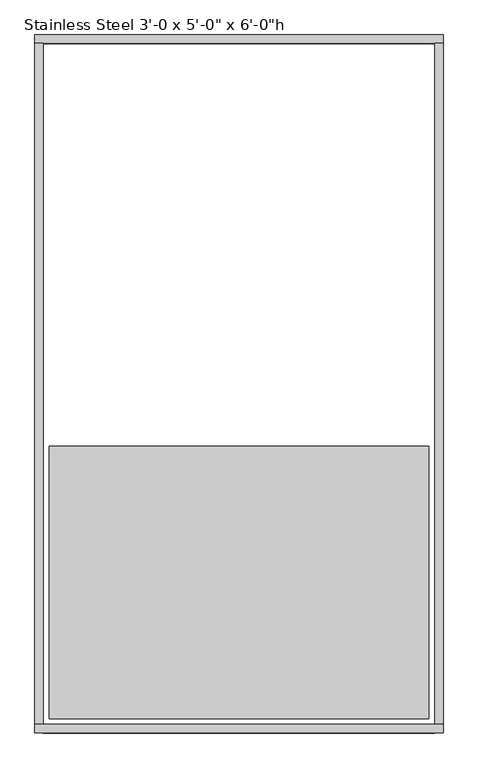
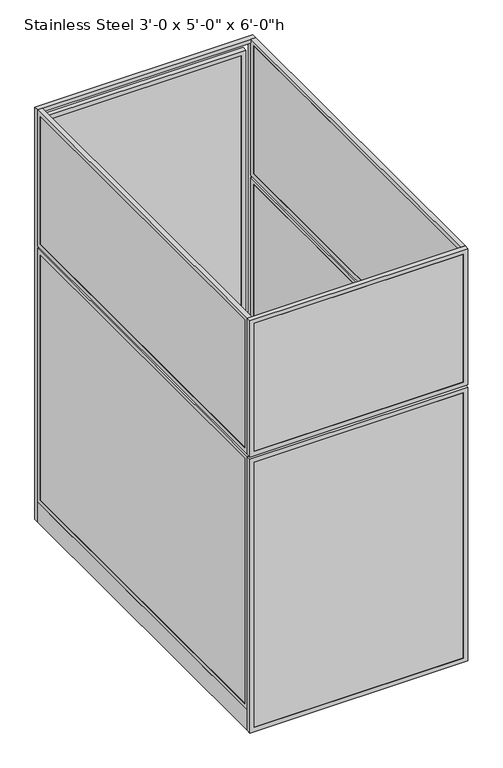
"""IFC4 building model written with IfcOpenShell, lengths in millimetres: proxy geometry."""

from ifc_helpers import new_model, si_unit, frame, origin, origin_with_axes, place, context, project, spatial, polyline, outline, extrude, source, transform, mapped, element, save


def proxy_8c73a78a(model_context):
    return source(origin(), model_context, "Body", "SweptSolid", [
        extrude(outline(polyline([(895.35, -17.4625), (19.05, -17.4625), (19.05, -1.5875), (895.35, -1.5875), (895.35, -17.4625)])), frame((0.0, 0.0, 19.05), z_axis=(0.0, 0.0, 1.0), x_axis=(1.0, 0.0, 0.0)), (0.0, 0.0, 1.0), 1176.3375),
        extrude(outline(polyline([(1214.4375, 914.4), (1214.4375, 0.0), (0.0, 0.0), (0.0, 914.4), (1214.4375, 914.4)]), holes=[polyline([(19.05, 895.35), (19.05, 19.05), (1195.3875, 19.05), (1195.3875, 895.35), (19.05, 895.35)])]), frame((0.0, -19.05, 0.0), z_axis=(0.0, 1.0, 0.0), x_axis=(0.0, 0.0, 1.0)), (0.0, 0.0, 1.0), 19.05),
        extrude(outline(polyline([(895.35, -17.4625), (19.05, -17.4625), (19.05, -1.5875), (895.35, -1.5875), (895.35, -17.4625)])), frame((0.0, 0.0, 1243.0125), z_axis=(0.0, 0.0, 1.0), x_axis=(1.0, 0.0, 0.0)), (0.0, 0.0, 1.0), 566.7375),
        extrude(outline(polyline([(1223.9625, 914.4), (1828.8, 914.4), (1828.8, 0.0), (1223.9625, 0.0), (1223.9625, 914.4)]), holes=[polyline([(1809.75, 895.35), (1243.0125, 895.35), (1243.0125, 19.05), (1809.75, 19.05), (1809.75, 895.35)])]), frame((0.0, -19.05, 0.0), z_axis=(0.0, 1.0, 0.0), x_axis=(0.0, 0.0, 1.0)), (0.0, 0.0, 1.0), 19.05),
        extrude(outline(polyline([(19.05, 0.0), (0.0, 0.0), (0.0, 1524.0), (19.05, 1524.0), (19.05, 0.0)])), origin_with_axes(), (0.0, 0.0, 1.0), 88.9),
        extrude(outline(polyline([(17.4625, 19.05), (1.5875, 19.05), (1.5875, 1504.95), (17.4625, 1504.95), (17.4625, 19.05)])), frame((0.0, 0.0, 107.95), z_axis=(0.0, 0.0, 1.0), x_axis=(1.0, 0.0, 0.0)), (0.0, 0.0, 1.0), 1087.4375),
        extrude(outline(polyline([(1524.0, 88.9), (0.0, 88.9), (0.0, 1214.4375), (1524.0, 1214.4375), (1524.0, 88.9)]), holes=[polyline([(1504.95, 1195.3875), (19.05, 1195.3875), (19.05, 107.95), (1504.95, 107.95), (1504.95, 1195.3875)])]), frame((0.0, 0.0, 0.0), z_axis=(1.0, 0.0, 0.0), x_axis=(0.0, 1.0, 0.0)), (0.0, 0.0, 1.0), 19.05),
        extrude(outline(polyline([(17.4625, 19.05), (1.5875, 19.05), (1.5875, 1504.95), (17.4625, 1504.95), (17.4625, 19.05)])), frame((0.0, 0.0, 1243.0125), z_axis=(0.0, 0.0, 1.0), x_axis=(1.0, 0.0, 0.0)), (0.0, 0.0, 1.0), 566.7375),
        extrude(outline(polyline([(0.0, 1223.9625), (0.0, 1828.8), (1524.0, 1828.8), (1524.0, 1223.9625), (0.0, 1223.9625)]), holes=[polyline([(19.05, 1809.75), (19.05, 1243.0125), (1504.95, 1243.0125), (1504.95, 1809.75), (19.05, 1809.75)])]), frame((0.0, 0.0, 0.0), z_axis=(1.0, 0.0, 0.0), x_axis=(0.0, 1.0, 0.0)), (0.0, 0.0, 1.0), 19.05),
        extrude(outline(polyline([(895.35, 0.0), (895.35, 1524.0), (914.4, 1524.0), (914.4, 0.0), (895.35, 0.0)])), origin_with_axes(), (0.0, 0.0, 1.0), 88.9),
        extrude(outline(polyline([(896.9375, 19.05), (896.9375, 1504.95), (912.8125, 1504.95), (912.8125, 19.05), (896.9375, 19.05)])), frame((0.0, 0.0, 107.95), z_axis=(0.0, 0.0, 1.0), x_axis=(1.0, 0.0, 0.0)), (0.0, 0.0, 1.0), 1087.4375),
        extrude(outline(polyline([(1524.0, 88.9), (0.0, 88.9), (0.0, 1214.4375), (1524.0, 1214.4375), (1524.0, 88.9)]), holes=[polyline([(1504.95, 1195.3875), (19.05, 1195.3875), (19.05, 107.95), (1504.95, 107.95), (1504.95, 1195.3875)])]), frame((895.35, 0.0, 0.0), z_axis=(1.0, 0.0, 0.0), x_axis=(0.0, 1.0, 0.0)), (0.0, 0.0, 1.0), 19.05),
        extrude(outline(polyline([(896.9375, 19.05), (896.9375, 1504.95), (912.8125, 1504.95), (912.8125, 19.05), (896.9375, 19.05)])), frame((0.0, 0.0, 1243.0125), z_axis=(0.0, 0.0, 1.0), x_axis=(1.0, 0.0, 0.0)), (0.0, 0.0, 1.0), 566.7375),
        extrude(outline(polyline([(0.0, 1223.9625), (0.0, 1828.8), (1524.0, 1828.8), (1524.0, 1223.9625), (0.0, 1223.9625)]), holes=[polyline([(19.05, 1809.75), (19.05, 1243.0125), (1504.95, 1243.0125), (1504.95, 1809.75), (19.05, 1809.75)])]), frame((895.35, 0.0, 0.0), z_axis=(1.0, 0.0, 0.0), x_axis=(0.0, 1.0, 0.0)), (0.0, 0.0, 1.0), 19.05),
        extrude(outline(polyline([(60.3189838, 1541.4625), (854.0810162, 1541.4625), (854.0810162, 1525.5875), (60.3189838, 1525.5875), (60.3189838, 1541.4625)])), frame((0.0, 0.0, 60.325), z_axis=(0.0, 0.0, 1.0), x_axis=(1.0, 0.0, 0.0)), (0.0, 0.0, 1.0), 1708.15),
        extrude(outline(polyline([(41.275, 41.2689838), (41.275, 873.1310162), (1787.525, 873.1310162), (1787.525, 41.2689838), (41.275, 41.2689838)]), holes=[polyline([(1768.475, 854.0810162), (60.325, 854.0810162), (60.325, 60.3189838), (1768.475, 60.3189838), (1768.475, 854.0810162)])]), frame((0.0, 1524.0, 0.0), z_axis=(0.0, 1.0, 0.0), x_axis=(0.0, 0.0, 1.0)), (0.0, 0.0, 1.0), 19.05),
        extrude(outline(polyline([(0.0, 0.0), (0.0, 914.4), (1828.8, 914.4), (1828.8, 0.0), (0.0, 0.0)]), holes=[polyline([(1809.75, 19.05), (1809.75, 895.35), (19.05, 895.35), (19.05, 19.05), (1809.75, 19.05)])]), frame((0.0, 1524.0, 0.0), z_axis=(0.0, 1.0, 0.0), x_axis=(0.0, 0.0, 1.0)), (0.0, 0.0, 1.0), 19.05),
        extrude(outline(polyline([(882.65, 622.3), (882.65, 609.6), (31.75, 609.6), (31.75, 622.3), (882.65, 622.3)])), origin_with_axes(), (0.0, 0.0, 1.0), 152.4),
        extrude(outline(polyline([(882.65, 622.3), (882.65, 12.7), (31.75, 12.7), (31.75, 622.3), (882.65, 622.3)])), frame((0.0, 0.0, 152.4), z_axis=(0.0, 0.0, 1.0), x_axis=(1.0, 0.0, 0.0)), (0.0, 0.0, 1.0), 12.7),
    ])


if __name__ == "__main__":
    model = new_model("IFC4")
    model_context = context("Model", 3, world=origin())
    ifc_project = project(units=[si_unit("LENGTHUNIT", "METRE", prefix="MILLI")], contexts=[model_context])
    site = spatial("IfcSite", under=ifc_project)
    building = spatial("IfcBuilding", under=site)
    placement = place(None, origin())
    proxy_shape = proxy_8c73a78a(model_context)
    element("IfcBuildingElementProxy", 1, Name="Stainless Steel 3'-0 x 5'-0\" x 6'-0\"h", ObjectType="Stainless Steel 3'-0 x 5'-0\" x 6'-0\"h", at=placement, inside=building, context=model_context, shape_type="MappedRepresentation", body=[
        mapped(proxy_shape, transform((0.0, 0.0, 0.0), x_axis=(1.0, 0.0, 0.0), y_axis=(0.0, 1.0, 0.0), z_axis=(0.0, 0.0, 1.0))),
    ])
    save(model, "model.ifc")
